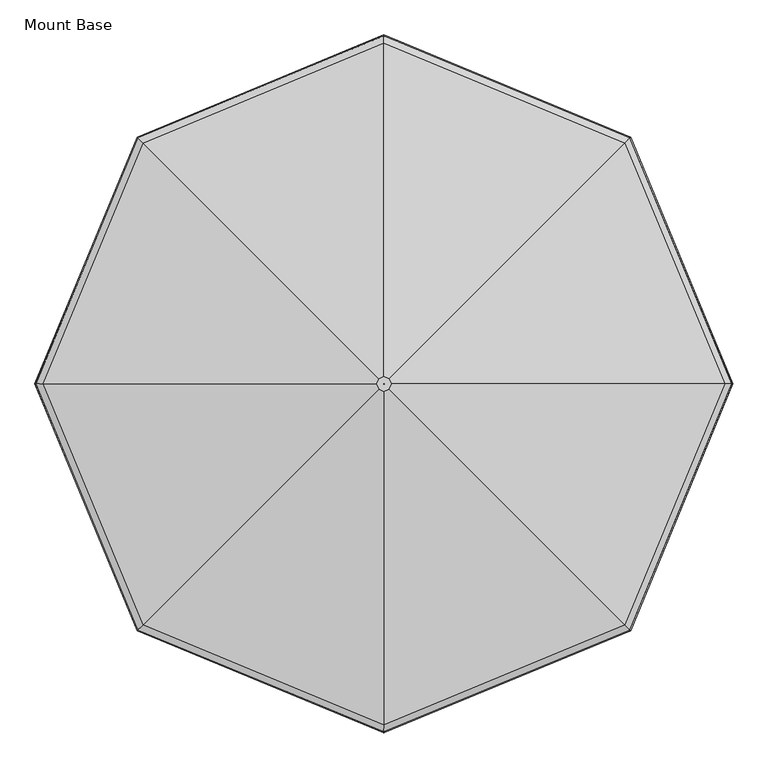
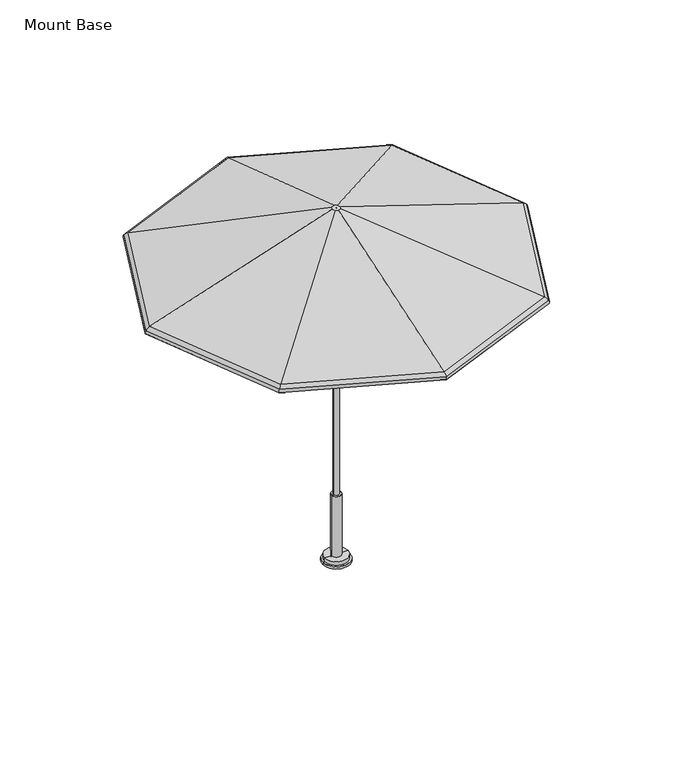
"""IFC4 building model written with IfcOpenShell, lengths in millimetres: furniture geometry, Mount Base."""

from ifc_helpers import new_model, si_unit, frame, origin, place, context, project, spatial, polyline, circle_curve, ellipse_curve, source, transform, mapped, element, save
from ifc_brep_helpers import plane_surface, cylinder_surface, revolved_surface, advanced_brep


def mount_base_c038d5d3(model_context):
    return source(origin(), model_context, "Body", "AdvancedBrep", [
        advanced_brep(
        [(19.5795967, -23.609512, 2449.3082423), (867.9781902, -872.00808, 2054.63825), (1227.5064869, -4.0299408, 2054.63825), (27.6897202, -4.0299408, 2449.3082423), (0.2837179, -4.3136338, 2444.7441798), (0.2837179, -4.3136338, 2449.3082423), (0.4012274, -4.0299408, 2449.3082423), (0.4012274, -4.0299408, 2444.7441798), (866.8065131, -870.8364029, 2050.3385867), (18.976283, -23.0061982, 2444.7441798), (26.8365057, -4.0299408, 2444.7441798), (1225.8494853, -4.0299408, 2050.3385867), (867.9781902, 863.9481984, 2054.63825), (19.5795967, 15.5496304, 2449.3082423), (0.2837179, -3.7462478, 2449.3082423), (0.2837179, -3.7462478, 2444.7441798), (18.976283, 14.9463167, 2444.7441798), (866.8065131, 862.7765214, 2050.3385867), (0.0, 1223.4765468, 2054.63825), (0.0, 23.6597651, 2449.3082423), (0.0, -3.6287279, 2449.3082423), (0.0, -3.6287279, 2444.7441798), (0.0, 22.8065507, 2444.7441798), (0.0, 1221.8195452, 2050.3385867), (-867.9781902, 863.9481984, 2054.63825), (-19.5795967, 15.5496304, 2449.3082423), (-0.2837179, -3.7462478, 2449.3082423), (-0.2837179, -3.7462478, 2444.7441798), (-18.976283, 14.9463167, 2444.7441798), (-866.8065131, 862.7765214, 2050.3385867), (-1227.5064869, -4.0299408, 2054.63825), (-27.6897202, -4.0299408, 2449.3082423), (-0.4012274, -4.0299408, 2449.3082423), (-0.4012274, -4.0299408, 2444.7441798), (-26.8365057, -4.0299408, 2444.7441798), (-1225.8494853, -4.0299408, 2050.3385867), (-867.9781902, -872.00808, 2054.63825), (-19.5795967, -23.609512, 2449.3082423), (-0.2837179, -4.3136338, 2449.3082423), (-0.2837179, -4.3136338, 2444.7441798), (-18.976283, -23.0061982, 2444.7441798), (-866.8065131, -870.8364029, 2050.3385867), (0.0, -1231.5364283, 2054.63825), (0.0, -31.7196467, 2449.3082423), (0.0, -4.4311536, 2449.3082423), (0.0, -4.4311536, 2444.7441798), (0.0, -30.8664322, 2444.7441798), (0.0, -1229.8794267, 2050.3385867), (888.6808391, -892.7107282, 2015.4829783), (885.3255026, -889.3553919, 2016.7551217), (1252.0392907, -4.0299408, 2016.7551217), (1256.784453, -4.0299408, 2015.4829783), (886.7474447, -890.7773339, 2034.8989025), (1254.0502205, -4.0299408, 2034.8989025), (885.3255026, 881.2955103, 2016.7551217), (888.6808391, 884.6508467, 2015.4829783), (886.7474447, 882.7174524, 2034.8989025), (0.0, 1248.0093509, 2016.7551217), (0.0, 1252.7545132, 2015.4829783), (0.0, 1250.0202807, 2034.8989025), (-885.3255026, 881.2955103, 2016.7551217), (-888.6808391, 884.6508467, 2015.4829783), (-886.7474447, 882.7174524, 2034.8989025), (-1252.0392907, -4.0299408, 2016.7551217), (-1256.784453, -4.0299408, 2015.4829783), (-1254.0502205, -4.0299408, 2034.8989025), (-885.3255026, -889.3553919, 2016.7551217), (-888.6808391, -892.7107282, 2015.4829783), (-886.7474447, -890.7773339, 2034.8989025), (0.0, -1256.0692325, 2016.7551217), (0.0, -1260.8143948, 2015.4829783), (0.0, -1258.0801623, 2034.8989025), (883.7829619, -887.8128512, 2032.4847066), (1249.8578088, -4.0299408, 2032.4847066), (883.7829619, 879.7529696, 2032.4847066), (0.0, 1245.827869, 2032.4847066), (-883.7829619, 879.7529696, 2032.4847066), (-1249.8578088, -4.0299408, 2032.4847066), (-883.7829619, -887.8128512, 2032.4847066), (0.0, -1253.8877505, 2032.4847066)],
        [
            (0, 1),
            (1, 2),
            (2, 3),
            (3, 0),
            (4, 5),
            (5, 6),
            (6, 7),
            (7, 4),
            (8, 9),
            (9, 10),
            (10, 11),
            (11, 8),
            (2, 12),
            (12, 13),
            (13, 3),
            (6, 14),
            (14, 15),
            (15, 7),
            (10, 16),
            (16, 17),
            (17, 11),
            (12, 18),
            (18, 19),
            (19, 13),
            (14, 20),
            (20, 21),
            (21, 15),
            (16, 22),
            (22, 23),
            (23, 17),
            (18, 24),
            (24, 25),
            (25, 19),
            (20, 26),
            (26, 27),
            (27, 21),
            (22, 28),
            (28, 29),
            (29, 23),
            (24, 30),
            (30, 31),
            (31, 25),
            (26, 32),
            (32, 33),
            (33, 27),
            (28, 34),
            (34, 35),
            (35, 29),
            (30, 36),
            (36, 37),
            (37, 31),
            (32, 38),
            (38, 39),
            (39, 33),
            (34, 40),
            (40, 41),
            (41, 35),
            (36, 42),
            (42, 43),
            (43, 37),
            (38, 44),
            (44, 45),
            (45, 39),
            (40, 46),
            (46, 47),
            (47, 41),
            (42, 1),
            (0, 43),
            (5, 44),
            (4, 45),
            (9, 46),
            (8, 47),
            (48, 49, ellipse_curve(frame((887.0110539, -891.0409431, 2016.1545442), z_axis=(0.7071067705718669, 0.7071067918012279, 0.0), x_axis=(0.7071067918012278, -0.707106770571867, 0.0)), 2.4707782, 2.2827014)),
            (49, 50),
            (50, 51, ellipse_curve(frame((1254.4230202, -4.0299408, 2016.1545442), z_axis=(0.0, -1.0, 0.0), x_axis=(-1.0, 0.0, 0.0)), 2.4707782, 2.2827014)),
            (51, 48),
            (52, 48, ellipse_curve(frame((871.4269242, -875.4568139, 2022.4222784), z_axis=(0.7071067705718669, 0.7071067918012279, 0.0), x_axis=(0.7071067918012278, -0.707106770571867, 0.0)), 25.5305879, 23.5871876)),
            (51, 53, ellipse_curve(frame((1232.3837333, -4.0299408, 2022.4222784), z_axis=(0.0, -1.0, 0.0), x_axis=(-1.0, 0.0, 0.0)), 25.5305877, 23.5871876)),
            (53, 52),
            (1, 52, ellipse_curve(frame((855.7116602, -859.7415504, 2009.6241856), z_axis=(0.7071067705718669, 0.7071067918012279, 0.0), x_axis=(0.7071067918012278, -0.707106770571867, 0.0)), 51.7189887, 47.782115)),
            (53, 2, ellipse_curve(frame((1210.1589943, -4.0299408, 2009.6241856), z_axis=(0.0, -1.0, 0.0), x_axis=(-1.0, 0.0, 0.0)), 51.7189881, 47.782115)),
            (50, 54),
            (54, 55, ellipse_curve(frame((887.0110539, 882.9810616, 2016.1545442), z_axis=(0.7071067705718669, -0.7071067918012278, 0.0), x_axis=(-0.7071067918012273, -0.7071067705718674, 0.0)), 2.4707782, 2.2827014)),
            (55, 51),
            (55, 56, ellipse_curve(frame((871.4269242, 867.3969324, 2022.4222784), z_axis=(0.7071067705718669, -0.7071067918012278, 0.0), x_axis=(-0.7071067918012273, -0.7071067705718674, 0.0)), 25.5305879, 23.5871876)),
            (56, 53),
            (56, 12, ellipse_curve(frame((855.7116602, 851.6816688, 2009.6241856), z_axis=(0.7071067705718669, -0.7071067918012278, 0.0), x_axis=(-0.7071067918012273, -0.7071067705718674, 0.0)), 51.7189887, 47.782115)),
            (54, 57),
            (57, 58, ellipse_curve(frame((0.0, 1250.3930804, 2016.1545442), z_axis=(1.0, 0.0, 0.0), x_axis=(0.0, -1.0, 0.0)), 2.4707782, 2.2827014)),
            (58, 55),
            (58, 59, ellipse_curve(frame((0.0, 1228.3537932, 2022.4222784), z_axis=(1.0, 0.0, 0.0), x_axis=(0.0, -1.0, 0.0)), 25.530588, 23.5871876)),
            (59, 56),
            (59, 18, ellipse_curve(frame((0.0, 1206.129054, 2009.6241856), z_axis=(1.0, 0.0, 0.0), x_axis=(0.0, -1.0, 0.0)), 51.7189888, 47.782115)),
            (57, 60),
            (60, 61, ellipse_curve(frame((-887.0110539, 882.9810616, 2016.1545442), z_axis=(0.7071067705718668, 0.7071067918012279, 0.0), x_axis=(0.7071067918012285, -0.7071067705718664, 0.0)), 2.4707782, 2.2827014)),
            (61, 58),
            (61, 62, ellipse_curve(frame((-871.4269242, 867.3969324, 2022.4222784), z_axis=(0.7071067705718668, 0.7071067918012279, 0.0), x_axis=(0.7071067918012285, -0.7071067705718664, 0.0)), 25.5305879, 23.5871876)),
            (62, 59),
            (62, 24, ellipse_curve(frame((-855.7116602, 851.6816688, 2009.6241856), z_axis=(0.7071067705718668, 0.7071067918012279, 0.0), x_axis=(0.7071067918012285, -0.7071067705718664, 0.0)), 51.7189887, 47.782115)),
            (60, 63),
            (63, 64, ellipse_curve(frame((-1254.4230202, -4.0299408, 2016.1545442), z_axis=(0.0, 1.0, 0.0), x_axis=(1.0, 0.0, 0.0)), 2.4707782, 2.2827014)),
            (64, 61),
            (64, 65, ellipse_curve(frame((-1232.3837333, -4.0299408, 2022.4222784), z_axis=(0.0, 1.0, 0.0), x_axis=(1.0, 0.0, 0.0)), 25.5305877, 23.5871876)),
            (65, 62),
            (65, 30, ellipse_curve(frame((-1210.1589943, -4.0299408, 2009.6241856), z_axis=(0.0, 1.0, 0.0), x_axis=(1.0, 0.0, 0.0)), 51.7189881, 47.782115)),
            (63, 66),
            (66, 67, ellipse_curve(frame((-887.0110539, -891.0409431, 2016.1545442), z_axis=(-0.707106770571867, 0.7071067918012278, 0.0), x_axis=(0.7071067918012279, 0.7071067705718671, 0.0)), 2.4707782, 2.2827014)),
            (67, 64),
            (67, 68, ellipse_curve(frame((-871.4269242, -875.4568139, 2022.4222784), z_axis=(-0.707106770571867, 0.7071067918012278, 0.0), x_axis=(0.7071067918012279, 0.7071067705718671, 0.0)), 25.5305879, 23.5871876)),
            (68, 65),
            (68, 36, ellipse_curve(frame((-855.7116602, -859.7415504, 2009.6241856), z_axis=(-0.707106770571867, 0.7071067918012278, 0.0), x_axis=(0.7071067918012279, 0.7071067705718671, 0.0)), 51.7189887, 47.782115)),
            (66, 69),
            (69, 70, ellipse_curve(frame((0.0, -1258.452962, 2016.1545442), z_axis=(-1.0, 0.0, 0.0), x_axis=(0.0, 1.0, 0.0)), 2.4707782, 2.2827014)),
            (70, 67),
            (70, 71, ellipse_curve(frame((0.0, -1236.4136748, 2022.4222784), z_axis=(-1.0, 0.0, 0.0), x_axis=(0.0, 1.0, 0.0)), 25.530588, 23.5871876)),
            (71, 68),
            (71, 42, ellipse_curve(frame((0.0, -1214.1889356, 2009.6241856), z_axis=(-1.0, 0.0, 0.0), x_axis=(0.0, 1.0, 0.0)), 51.7189888, 47.782115)),
            (69, 49),
            (48, 70),
            (52, 71),
            (72, 8, ellipse_curve(frame((855.7116602, -859.7415504, 2009.6241856), z_axis=(-0.7071067705718669, -0.7071067918012279, 0.0), x_axis=(-0.7071067918012278, 0.707106770571867, 0.0)), 46.778883, 43.2180525)),
            (11, 73, ellipse_curve(frame((1210.1589943, -4.0299408, 2009.6241856), z_axis=(0.0, 1.0, 0.0), x_axis=(1.0, 0.0, 0.0)), 46.7788825, 43.2180525)),
            (73, 72),
            (49, 72, ellipse_curve(frame((871.4269242, -875.4568139, 2022.4222784), z_axis=(-0.7071067705718669, -0.7071067918012279, 0.0), x_axis=(-0.7071067918012278, 0.707106770571867, 0.0)), 20.5904823, 19.0231251)),
            (73, 50, ellipse_curve(frame((1232.3837333, -4.0299408, 2022.4222784), z_axis=(0.0, 1.0, 0.0), x_axis=(1.0, 0.0, 0.0)), 20.5904821, 19.0231251)),
            (17, 74, ellipse_curve(frame((855.7116602, 851.6816688, 2009.6241856), z_axis=(-0.7071067705718669, 0.7071067918012278, 0.0), x_axis=(0.7071067918012273, 0.7071067705718674, 0.0)), 46.778883, 43.2180525)),
            (74, 73),
            (74, 54, ellipse_curve(frame((871.4269242, 867.3969324, 2022.4222784), z_axis=(-0.7071067705718669, 0.7071067918012278, 0.0), x_axis=(0.7071067918012273, 0.7071067705718674, 0.0)), 20.5904823, 19.0231251)),
            (23, 75, ellipse_curve(frame((0.0, 1206.129054, 2009.6241856), z_axis=(-1.0, 0.0, 0.0), x_axis=(0.0, 1.0, 0.0)), 46.7788831, 43.2180525)),
            (75, 74),
            (75, 57, ellipse_curve(frame((0.0, 1228.3537932, 2022.4222784), z_axis=(-1.0, 0.0, 0.0), x_axis=(0.0, 1.0, 0.0)), 20.5904823, 19.0231251)),
            (29, 76, ellipse_curve(frame((-855.7116602, 851.6816688, 2009.6241856), z_axis=(-0.7071067705718668, -0.7071067918012279, 0.0), x_axis=(-0.7071067918012285, 0.7071067705718664, 0.0)), 46.778883, 43.2180525)),
            (76, 75),
            (76, 60, ellipse_curve(frame((-871.4269242, 867.3969324, 2022.4222784), z_axis=(-0.7071067705718668, -0.7071067918012279, 0.0), x_axis=(-0.7071067918012285, 0.7071067705718664, 0.0)), 20.5904823, 19.0231251)),
            (35, 77, ellipse_curve(frame((-1210.1589943, -4.0299408, 2009.6241856), z_axis=(0.0, -1.0, 0.0), x_axis=(-1.0, 0.0, 0.0)), 46.7788825, 43.2180525)),
            (77, 76),
            (77, 63, ellipse_curve(frame((-1232.3837333, -4.0299408, 2022.4222784), z_axis=(0.0, -1.0, 0.0), x_axis=(-1.0, 0.0, 0.0)), 20.5904821, 19.0231251)),
            (41, 78, ellipse_curve(frame((-855.7116602, -859.7415504, 2009.6241856), z_axis=(0.707106770571867, -0.7071067918012278, 0.0), x_axis=(-0.7071067918012279, -0.7071067705718671, 0.0)), 46.778883, 43.2180525)),
            (78, 77),
            (78, 66, ellipse_curve(frame((-871.4269242, -875.4568139, 2022.4222784), z_axis=(0.707106770571867, -0.7071067918012278, 0.0), x_axis=(-0.7071067918012279, -0.7071067705718671, 0.0)), 20.5904823, 19.0231251)),
            (47, 79, ellipse_curve(frame((0.0, -1214.1889356, 2009.6241856), z_axis=(1.0, 0.0, 0.0), x_axis=(0.0, -1.0, 0.0)), 46.7788831, 43.2180525)),
            (79, 78),
            (79, 69, ellipse_curve(frame((0.0, -1236.4136748, 2022.4222784), z_axis=(1.0, 0.0, 0.0), x_axis=(0.0, -1.0, 0.0)), 20.5904823, 19.0231251)),
            (72, 79),
        ],
        [
            plane_surface(frame((867.9781902, -872.00808, 2054.63825), z_axis=(0.3098860594599675, -0.12835900134285777, 0.9420693164128837), x_axis=(0.3826834138500074, 0.9238795401804848, 0.0))),
            plane_surface(frame((0.2837179, -4.3136338, 2449.3082423), z_axis=(-0.9238795401805519, 0.3826834138498457, 0.0), x_axis=(0.3826834138498457, 0.9238795401805519, 0.0))),
            plane_surface(frame((18.976283, -23.0061982, 2444.7441798), z_axis=(-0.30988605945996583, 0.12835900134286157, -0.9420693164128836), x_axis=(0.3826834138500158, 0.9238795401804812, 0.0))),
            plane_surface(frame((1227.5064869, -4.0299408, 2054.63825), z_axis=(0.3098860594599674, 0.1283590013428578, 0.9420693164128837), x_axis=(-0.38268341385000754, 0.9238795401804847, 0.0))),
            plane_surface(frame((0.4012274, -4.0299408, 2449.3082423), z_axis=(-0.9238795401804236, -0.38268341385015503, 0.0), x_axis=(-0.38268341385015503, 0.9238795401804236, 0.0))),
            plane_surface(frame((26.8365057, -4.0299408, 2444.7441798), z_axis=(-0.3098860594599669, -0.12835900134285932, -0.9420693164128837), x_axis=(-0.38268341385000904, 0.9238795401804841, 0.0))),
            plane_surface(frame((867.9781902, 863.9481984, 2054.63825), z_axis=(0.12835901064652352, 0.30988605560626115, 0.9420693164128842), x_axis=(-0.9238795286912376, 0.3826834415875042, 0.0))),
            plane_surface(frame((0.2837179, -3.7462478, 2449.3082423), z_axis=(-0.3826834415882052, -0.9238795286909472, 0.0), x_axis=(-0.9238795286909472, 0.3826834415882052, 0.0))),
            plane_surface(frame((18.976283, 14.9463167, 2444.7441798), z_axis=(-0.12835901064652197, -0.309886055606262, -0.9420693164128842), x_axis=(-0.9238795286912361, 0.38268344158750756, 0.0))),
            plane_surface(frame((0.0, 1223.4765468, 2054.63825), z_axis=(-0.12835901064652352, 0.3098860556062612, 0.9420693164128842), x_axis=(-0.9238795286912376, -0.3826834415875041, 0.0))),
            plane_surface(frame((0.0, -3.6287279, 2449.3082423), z_axis=(0.3826834415881674, -0.9238795286909629, 0.0), x_axis=(-0.9238795286909629, -0.3826834415881674, 1.7630868610491193e-12))),
            plane_surface(frame((0.0, 22.8065507, 2444.7441798), z_axis=(0.12835901064650254, -0.3098860556062698, -0.9420693164128842), x_axis=(-0.9238795286912317, -0.38268344158751827, 0.0))),
            plane_surface(frame((-867.9781902, 863.9481984, 2054.63825), z_axis=(-0.3098860594599674, 0.1283590013428577, 0.9420693164128838), x_axis=(-0.3826834138500073, -0.9238795401804849, 0.0))),
            plane_surface(frame((-0.2837179, -3.7462478, 2449.3082423), z_axis=(0.9238795401804988, -0.3826834138499735, 0.0), x_axis=(-0.3826834138499735, -0.9238795401804988, 0.0))),
            plane_surface(frame((-18.976283, 14.9463167, 2444.7441798), z_axis=(0.309886059459966, -0.12835900134286143, -0.9420693164128837), x_axis=(-0.38268341385001536, -0.9238795401804816, 0.0))),
            plane_surface(frame((-1227.5064869, -4.0299408, 2054.63825), z_axis=(-0.30988605945996744, -0.12835900134285777, 0.9420693164128836), x_axis=(0.3826834138500075, -0.9238795401804848, 0.0))),
            plane_surface(frame((-0.4012274, -4.0299408, 2449.3082423), z_axis=(0.9238795401804434, 0.3826834138501074, 0.0), x_axis=(0.3826834138501074, -0.9238795401804434, 0.0))),
            plane_surface(frame((-26.8365057, -4.0299408, 2444.7441798), z_axis=(0.30988605945996417, 0.1283590013428655, -0.9420693164128837), x_axis=(0.3826834138500276, -0.9238795401804764, 0.0))),
            plane_surface(frame((-867.9781902, -872.00808, 2054.63825), z_axis=(-0.12835901064652355, -0.30988605560626115, 0.9420693164128843), x_axis=(0.9238795286912376, -0.3826834415875043, 0.0))),
            plane_surface(frame((-0.2837179, -4.3136338, 2449.3082423), z_axis=(0.38268344158750667, 0.9238795286912367, 0.0), x_axis=(0.9238795286912367, -0.38268344158750667, -1.7630868610541979e-12))),
            plane_surface(frame((-18.976283, -23.0061982, 2444.7441798), z_axis=(0.12835901064652216, 0.30988605560626176, -0.9420693164128844), x_axis=(0.9238795286912359, -0.38268344158750833, 0.0))),
            plane_surface(frame((0.0, -1231.5364283, 2054.63825), z_axis=(0.12835901064652355, -0.30988605560626103, 0.9420693164128844), x_axis=(0.9238795286912376, 0.3826834415875044, 0.0))),
            plane_surface(frame((0.0, -31.7196467, 2449.3082423), z_axis=(0.0, 0.0, 1.0000000000000002), x_axis=(0.9238795286912374, 0.38268344158750495, 0.0))),
            plane_surface(frame((0.0, -4.4311536, 2449.3082423), z_axis=(-0.3826834415880379, 0.9238795286910165, 0.0), x_axis=(0.9238795286910165, 0.3826834415880379, 1.7630868610505533e-12))),
            plane_surface(frame((0.0, -4.4311536, 2444.7441798), z_axis=(0.0, 0.0, -1.0), x_axis=(0.9238795286912637, 0.38268344158744133, 0.0))),
            plane_surface(frame((0.0, -30.8664322, 2444.7441798), z_axis=(-0.1283590106464981, 0.3098860556062716, -0.9420693164128844), x_axis=(0.9238795286912372, 0.38268344158750517, 0.0))),
            cylinder_surface(frame((885.6093569, -894.4249392, 2016.1545442), z_axis=(-0.3826834138500074, -0.9238795401804848, 0.0), x_axis=(-0.9238795401804848, 0.3826834138500074, 0.0)), 2.2827014),
            cylinder_surface(frame((866.7976485, -886.6328749, 2022.4222784), z_axis=(-0.3826834138500074, -0.9238795401804848, 0.0), x_axis=(-0.9238795401804848, 0.3826834138500074, 0.0)), 23.5871876),
            cylinder_surface(frame((847.8276469, -878.7752434, 2009.6241856), z_axis=(-0.3826834138500074, -0.9238795401804848, 0.0), x_axis=(-0.9238795401804848, 0.3826834138500074, 0.0)), 47.782115),
            cylinder_surface(frame((1255.8247171, -7.4139366, 2016.1545442), z_axis=(0.38268341385000737, -0.9238795401804849, 0.0), x_axis=(-0.9238795401804849, -0.38268341385000737, 0.0)), 2.2827014),
            cylinder_surface(frame((1237.0130087, -15.2060009, 2022.4222784), z_axis=(0.38268341385000737, -0.9238795401804849, 0.0), x_axis=(-0.9238795401804849, -0.38268341385000737, 0.0)), 23.5871876),
            cylinder_surface(frame((1218.0430071, -23.0636324, 2009.6241856), z_axis=(0.38268341385000737, -0.9238795401804849, 0.0), x_axis=(-0.9238795401804849, -0.38268341385000737, 0.0)), 47.782115),
            cylinder_surface(frame((890.3950499, 881.5793645, 2016.1545442), z_axis=(0.9238795286912376, -0.38268344158750417, 0.0), x_axis=(-0.38268344158750417, -0.9238795286912376, 0.0)), 2.2827014),
            cylinder_surface(frame((882.6029851, 862.7676563, 2022.4222784), z_axis=(0.9238795286912376, -0.38268344158750417, 0.0), x_axis=(-0.38268344158750417, -0.9238795286912376, 0.0)), 23.5871876),
            cylinder_surface(frame((874.745353, 843.7976549, 2009.6241856), z_axis=(0.9238795286912376, -0.38268344158750417, 0.0), x_axis=(-0.38268344158750417, -0.9238795286912376, 0.0)), 47.782115),
            cylinder_surface(frame((3.3839961, 1251.7947775, 2016.1545442), z_axis=(0.9238795286912376, 0.3826834415875045, 0.0), x_axis=(0.3826834415875045, -0.9238795286912376, 0.0)), 2.2827014),
            cylinder_surface(frame((11.176061, 1232.9830694, 2022.4222784), z_axis=(0.9238795286912376, 0.3826834415875045, 0.0), x_axis=(0.3826834415875045, -0.9238795286912376, 0.0)), 23.5871876),
            cylinder_surface(frame((19.033693, 1214.013068, 2009.6241856), z_axis=(0.9238795286912376, 0.3826834415875045, 0.0), x_axis=(0.3826834415875045, -0.9238795286912376, 0.0)), 47.782115),
            cylinder_surface(frame((-885.6093569, 886.3650576, 2016.1545442), z_axis=(0.3826834138500073, 0.9238795401804848, 0.0), x_axis=(0.9238795401804848, -0.3826834138500073, 0.0)), 2.2827014),
            cylinder_surface(frame((-866.7976485, 878.5729933, 2022.4222784), z_axis=(0.3826834138500073, 0.9238795401804848, 0.0), x_axis=(0.9238795401804848, -0.3826834138500073, 0.0)), 23.5871876),
            cylinder_surface(frame((-847.8276469, 870.7153618, 2009.6241856), z_axis=(0.3826834138500073, 0.9238795401804848, 0.0), x_axis=(0.9238795401804848, -0.3826834138500073, 0.0)), 47.782115),
            cylinder_surface(frame((-1255.8247171, -0.6459449, 2016.1545442), z_axis=(-0.3826834138500074, 0.9238795401804848, 0.0), x_axis=(0.9238795401804848, 0.3826834138500074, 0.0)), 2.2827014),
            cylinder_surface(frame((-1237.0130087, 7.1461194, 2022.4222784), z_axis=(-0.3826834138500074, 0.9238795401804848, 0.0), x_axis=(0.9238795401804848, 0.3826834138500074, 0.0)), 23.5871876),
            cylinder_surface(frame((-1218.0430071, 15.0037509, 2009.6241856), z_axis=(-0.3826834138500074, 0.9238795401804848, 0.0), x_axis=(0.9238795401804848, 0.3826834138500074, 0.0)), 47.782115),
            cylinder_surface(frame((-890.3950499, -889.639246, 2016.1545442), z_axis=(-0.9238795286912376, 0.3826834415875041, 0.0), x_axis=(0.3826834415875041, 0.9238795286912376, 0.0)), 2.2827014),
            cylinder_surface(frame((-882.6029851, -870.8275378, 2022.4222784), z_axis=(-0.9238795286912376, 0.3826834415875041, 0.0), x_axis=(0.3826834415875041, 0.9238795286912376, 0.0)), 23.5871876),
            cylinder_surface(frame((-874.745353, -851.8575365, 2009.6241856), z_axis=(-0.9238795286912376, 0.3826834415875041, 0.0), x_axis=(0.3826834415875041, 0.9238795286912376, 0.0)), 47.782115),
            cylinder_surface(frame((-3.3839961, -1259.8546591, 2016.1545442), z_axis=(-0.9238795286912376, -0.3826834415875045, 0.0), x_axis=(-0.3826834415875045, 0.9238795286912376, 0.0)), 2.2827014),
            cylinder_surface(frame((-11.176061, -1241.0429509, 2022.4222784), z_axis=(-0.9238795286912376, -0.3826834415875045, 0.0), x_axis=(-0.3826834415875045, 0.9238795286912376, 0.0)), 23.5871876),
            cylinder_surface(frame((-19.033693, -1222.0729496, 2009.6241856), z_axis=(-0.9238795286912376, -0.3826834415875045, 0.0), x_axis=(-0.3826834415875045, 0.9238795286912376, 0.0)), 47.782115),
            revolved_surface(polyline([(1177.0813279177353, 29.04772291639233, 2009.6241856), (808.9327772004092, -859.7415515729037, 2009.6241856)]), (847.8276469, -878.7752434, 2009.6241856), (0.3826834138500074, 0.9238795401804848, 0.0)),
            revolved_surface(polyline([(1217.8240632036184, 10.529728133929439, 2022.4222784), (850.8364419865392, -875.4568144520437, 2022.4222784)]), (866.7976485, -886.6328749, 2022.4222784), (0.3826834138500074, 0.9238795401804848, 0.0)),
            revolved_surface(polyline([(808.9327772202232, 851.6816699811113, 2009.6241856), (1177.0813279375493, -37.10760450818483, 2009.6241856)]), (1218.0430071, -23.0636324, 2009.6241856), (-0.38268341385000737, 0.9238795401804849, 0.0)),
            revolved_surface(polyline([(850.8364419709978, 867.3969329456064, 2022.4222784), (1217.8240632234324, -18.589609725721992, 2022.4222784)]), (1237.0130087, -15.2060009, 2022.4222784), (-0.38268341385000737, 0.9238795401804849, 0.0)),
            revolved_surface(polyline([(-33.07766613995125, 1173.05138914796, 2009.6241856), (855.7116599637476, 804.9027857890122, 2009.6241856)]), (874.745353, 843.7976549, 2009.6241856), (-0.9238795286912376, 0.38268344158750417, 0.0)),
            revolved_surface(polyline([(-14.55966994483424, 1213.794123847939, 2022.4222784), (871.4269241167767, 846.8064501452996, 2022.4222784)]), (882.6029851, 862.7676563, 2022.4222784), (-0.9238795286912376, 0.38268344158750417, 0.0)),
            revolved_surface(polyline([(-855.7116599740738, 804.9027858139414, 2009.6241856), (33.07766612962508, 1173.0513891728895, 2009.6241856)]), (19.033693, 1214.013068, 2009.6241856), (-0.9238795286912376, -0.3826834415875045, 0.0)),
            revolved_surface(polyline([(-871.4269241124583, 846.8064501348736, 2022.4222784), (14.559669949152642, 1213.7941238375133, 2022.4222784)]), (11.176061, 1232.9830694, 2022.4222784), (-0.9238795286912376, -0.3826834415875045, 0.0)),
            revolved_surface(polyline([(-1177.081327917735, -37.10760451639214, 2009.6241856), (-808.9327772004092, 851.6816699729037, 2009.6241856)]), (-847.8276469, 870.7153618, 2009.6241856), (-0.3826834138500073, -0.9238795401804848, 0.0)),
            revolved_surface(polyline([(-1217.8240632036182, -18.58960973392925, 2022.4222784), (-850.8364419511838, 867.3969329373989, 2022.4222784)]), (-866.7976485, 878.5729933, 2022.4222784), (-0.3826834138500073, -0.9238795401804848, 0.0)),
            revolved_surface(polyline([(-808.932777184868, -859.7415515664663, 2009.6241856), (-1177.0813279021938, 29.047722922829497, 2009.6241856)]), (-1218.0430071, 15.0037509, 2009.6241856), (0.3826834138500074, -0.9238795401804848, 0.0)),
            revolved_surface(polyline([(-850.8364419709978, -875.4568144456061, 2022.4222784), (-1217.8240631880772, 10.529728140366657, 2022.4222784)]), (-1237.0130087, 7.1461194, 2022.4222784), (0.3826834138500074, -0.9238795401804848, 0.0)),
            revolved_surface(polyline([(33.07766613995125, -1181.11127074796, 2009.6241856), (-855.7116599637476, -812.9626673890123, 2009.6241856)]), (-874.745353, -851.8575365, 2009.6241856), (0.9238795286912376, -0.3826834415875041, 0.0)),
            revolved_surface(polyline([(14.559669980189597, -1221.8540053625836, 2022.4222784), (-871.4269241167767, -854.8663316452995, 2022.4222784)]), (-882.6029851, -870.8275378, 2022.4222784), (0.9238795286912376, -0.3826834415875041, 0.0)),
            revolved_surface(polyline([(855.7116599740737, -812.9626674139414, 2009.6241856), (-33.07766612962508, -1181.1112707728894, 2009.6241856)]), (-19.033693, -1222.0729496, 2009.6241856), (0.9238795286912376, 0.3826834415875045, 0.0)),
            revolved_surface(polyline([(871.4269241124583, -854.8663316348736, 2022.4222784), (-14.559669984508012, -1221.854005352158, 2022.4222784)]), (-11.176061, -1241.0429509, 2022.4222784), (0.9238795286912376, 0.3826834415875045, 0.0)),
        ],
        [
            (0, [[1, 2, 3, 4]]),
            (1, [[5, 6, 7, 8]]),
            (2, [[9, 10, 11, 12]]),
            (3, [[-3, 13, 14, 15]]),
            (4, [[-7, 16, 17, 18]]),
            (5, [[-11, 19, 20, 21]]),
            (6, [[-14, 22, 23, 24]]),
            (7, [[-17, 25, 26, 27]]),
            (8, [[-20, 28, 29, 30]]),
            (9, [[-23, 31, 32, 33]]),
            (10, [[-26, 34, 35, 36]]),
            (11, [[-29, 37, 38, 39]]),
            (12, [[-32, 40, 41, 42]]),
            (13, [[-35, 43, 44, 45]]),
            (14, [[-38, 46, 47, 48]]),
            (15, [[-41, 49, 50, 51]]),
            (16, [[-44, 52, 53, 54]]),
            (17, [[-47, 55, 56, 57]]),
            (18, [[-50, 58, 59, 60]]),
            (19, [[-53, 61, 62, 63]]),
            (20, [[-56, 64, 65, 66]]),
            (21, [[-59, 67, -1, 68]]),
            (22, [[-51, -60, -68, -4, -15, -24, -33, -42], [69, -61, -52, -43, -34, -25, -16, -6]]),
            (23, [[-62, -69, -5, 70]]),
            (24, [[71, -64, -55, -46, -37, -28, -19, -10], [-54, -63, -70, -8, -18, -27, -36, -45]]),
            (25, [[-65, -71, -9, 72]]),
            (26, [[73, 74, 75, 76]]),
            (27, [[77, -76, 78, 79]]),
            (28, [[80, -79, 81, -2]]),
            (29, [[-75, 82, 83, 84]]),
            (30, [[-78, -84, 85, 86]]),
            (31, [[-81, -86, 87, -13]]),
            (32, [[-83, 88, 89, 90]]),
            (33, [[-85, -90, 91, 92]]),
            (34, [[-87, -92, 93, -22]]),
            (35, [[-89, 94, 95, 96]]),
            (36, [[-91, -96, 97, 98]]),
            (37, [[-93, -98, 99, -31]]),
            (38, [[-95, 100, 101, 102]]),
            (39, [[-97, -102, 103, 104]]),
            (40, [[-99, -104, 105, -40]]),
            (41, [[-101, 106, 107, 108]]),
            (42, [[-103, -108, 109, 110]]),
            (43, [[-105, -110, 111, -49]]),
            (44, [[-107, 112, 113, 114]]),
            (45, [[-109, -114, 115, 116]]),
            (46, [[-111, -116, 117, -58]]),
            (47, [[-113, 118, -73, 119]]),
            (48, [[-115, -119, -77, 120]]),
            (49, [[-117, -120, -80, -67]]),
            (50, [[121, -12, 122, 123]]),
            (51, [[124, -123, 125, -74]]),
            (52, [[-122, -21, 126, 127]]),
            (53, [[-125, -127, 128, -82]]),
            (54, [[-126, -30, 129, 130]]),
            (55, [[-128, -130, 131, -88]]),
            (56, [[-129, -39, 132, 133]]),
            (57, [[-131, -133, 134, -94]]),
            (58, [[-132, -48, 135, 136]]),
            (59, [[-134, -136, 137, -100]]),
            (60, [[-135, -57, 138, 139]]),
            (61, [[-137, -139, 140, -106]]),
            (62, [[-138, -66, 141, 142]]),
            (63, [[-140, -142, 143, -112]]),
            (64, [[-141, -72, -121, 144]]),
            (65, [[-143, -144, -124, -118]]),
        ],
    ),
        advanced_brep(
        [(-88.9, -4.0299408, 15.8750008), (88.9, -4.0299408, 15.8750008), (88.9, -4.0299408, 0.0), (-88.9, -4.0299408, 0.0), (-76.2, -4.0299408, 15.8750008), (76.2, -4.0299408, 15.8750008), (-76.2, -4.0299408, 41.2750008), (76.2, -4.0299408, 41.2750008), (0.0, -4.0299408, 41.2750008), (0.0, -4.0299408, 0.0)],
        [
            (0, 1, circle_curve(frame((0.0, -4.0299408, 15.8750008), z_axis=(0.0, 0.0, -1.0), x_axis=(1.0, 0.0, 0.0)), 88.9)),
            (1, 2),
            (2, 3, circle_curve(frame((0.0, -4.0299408, 0.0), z_axis=(0.0, 0.0, 1.0), x_axis=(1.0, 0.0, 0.0)), 88.9)),
            (3, 0),
            (1, 0, circle_curve(frame((0.0, -4.0299408, 15.8750008), z_axis=(0.0, 0.0, -1.0), x_axis=(1.0, 0.0, 0.0)), 88.9)),
            (3, 2, circle_curve(frame((0.0, -4.0299408, 0.0), z_axis=(0.0, 0.0, 1.0), x_axis=(1.0, 0.0, 0.0)), 88.9)),
            (4, 5, circle_curve(frame((0.0, -4.0299408, 15.8750008), z_axis=(0.0, 0.0, -1.0), x_axis=(1.0, 0.0, 0.0)), 76.2)),
            (5, 1),
            (0, 4),
            (5, 4, circle_curve(frame((0.0, -4.0299408, 15.8750008), z_axis=(0.0, 0.0, -1.0), x_axis=(1.0, 0.0, 0.0)), 76.2)),
            (6, 7, circle_curve(frame((0.0, -4.0299408, 41.2750008), z_axis=(0.0, 0.0, -1.0), x_axis=(1.0, 0.0, 0.0)), 76.2)),
            (7, 5),
            (4, 6),
            (7, 6, circle_curve(frame((0.0, -4.0299408, 41.2750008), z_axis=(0.0, 0.0, -1.0), x_axis=(1.0, 0.0, 0.0)), 76.2)),
            (8, 7),
            (6, 8),
            (2, 9),
            (9, 3),
        ],
        [
            cylinder_surface(frame((0.0, -4.0299408, 161.9250008), z_axis=(0.0, 0.0, 1.0), x_axis=(1.0, 0.0, 0.0)), 88.9),
            plane_surface(frame((0.0, -4.0299408, 15.8750008), z_axis=(0.0, 0.0, 1.0), x_axis=(1.0, 0.0, 0.0))),
            cylinder_surface(frame((0.0, -4.0299408, 161.9250008), z_axis=(0.0, 0.0, 1.0), x_axis=(1.0, 0.0, 0.0)), 76.2),
            plane_surface(frame((0.0, -4.0299408, 41.2750008), z_axis=(0.0, 0.0, 1.0), x_axis=(1.0, 0.0, 0.0))),
            plane_surface(frame((0.0, -4.0299408, 0.0), z_axis=(0.0, 0.0, -1.0), x_axis=(1.0, 0.0, 0.0))),
        ],
        [
            (0, [[1, 2, 3, 4]]),
            (0, [[5, -4, 6, -2]]),
            (1, [[7, 8, -1, 9]]),
            (1, [[10, -9, -5, -8]]),
            (2, [[11, 12, -7, 13]]),
            (2, [[14, -13, -10, -12]]),
            (3, [[15, -11, 16]]),
            (3, [[-16, -14, -15]]),
            (4, [[-3, 17, 18]]),
            (4, [[-6, -18, -17]]),
        ],
    ),
        advanced_brep(
        [(-19.05, -4.0299408, 463.5500121), (19.05, -4.0299408, 463.5500121), (31.7499992, -4.0299408, 463.5500121), (-31.7499992, -4.0299408, 463.5500121), (-19.05, -4.0299408, 1873.1507813), (19.05, -4.0299408, 1873.1507813), (0.0, -4.0299408, 1873.1507813), (-31.7499992, -4.0299408, 25.4), (31.7499992, -4.0299408, 25.4), (0.0, -4.0299408, 25.4)],
        [
            (0, 1, circle_curve(frame((0.0, -4.0299408, 463.5500121), z_axis=(0.0, 0.0, -1.0), x_axis=(1.0, 0.0, 0.0)), 19.05)),
            (1, 2),
            (2, 3, circle_curve(frame((0.0, -4.0299408, 463.5500121), z_axis=(0.0, 0.0, 1.0), x_axis=(1.0, 0.0, 0.0)), 31.7499992)),
            (3, 0),
            (1, 0, circle_curve(frame((0.0, -4.0299408, 463.5500121), z_axis=(0.0, 0.0, -1.0), x_axis=(1.0, 0.0, 0.0)), 19.05)),
            (3, 2, circle_curve(frame((0.0, -4.0299408, 463.5500121), z_axis=(0.0, 0.0, 1.0), x_axis=(1.0, 0.0, 0.0)), 31.7499992)),
            (4, 5, circle_curve(frame((0.0, -4.0299408, 1873.1507813), z_axis=(0.0, 0.0, -1.0), x_axis=(1.0, 0.0, 0.0)), 19.05)),
            (5, 1),
            (0, 4),
            (5, 4, circle_curve(frame((0.0, -4.0299408, 1873.1507813), z_axis=(0.0, 0.0, -1.0), x_axis=(1.0, 0.0, 0.0)), 19.05)),
            (6, 5),
            (4, 6),
            (7, 8, circle_curve(frame((0.0, -4.0299408, 25.4), z_axis=(0.0, 0.0, -1.0), x_axis=(1.0, 0.0, 0.0)), 31.7499992)),
            (8, 9),
            (9, 7),
            (8, 7, circle_curve(frame((0.0, -4.0299408, 25.4), z_axis=(0.0, 0.0, -1.0), x_axis=(1.0, 0.0, 0.0)), 31.7499992)),
            (2, 8),
            (7, 3),
        ],
        [
            plane_surface(frame((0.0, -4.0299408, 463.5500121), z_axis=(0.0, 0.0, 1.0), x_axis=(1.0, 0.0, 0.0))),
            cylinder_surface(frame((0.0, -4.0299408, 2736.7507813), z_axis=(0.0, 0.0, 1.0), x_axis=(1.0, 0.0, 0.0)), 19.05),
            plane_surface(frame((0.0, -4.0299408, 1873.1507813), z_axis=(0.0, 0.0, 1.0), x_axis=(1.0, 0.0, 0.0))),
            plane_surface(frame((0.0, -4.0299408, 25.4), z_axis=(0.0, 0.0, -1.0), x_axis=(1.0, 0.0, 0.0))),
            cylinder_surface(frame((0.0, -4.0299408, 2736.7507813), z_axis=(0.0, 0.0, 1.0), x_axis=(1.0, 0.0, 0.0)), 31.7499992),
        ],
        [
            (0, [[1, 2, 3, 4]]),
            (0, [[5, -4, 6, -2]]),
            (1, [[7, 8, -1, 9]]),
            (1, [[10, -9, -5, -8]]),
            (2, [[11, -7, 12]]),
            (2, [[-12, -10, -11]]),
            (3, [[13, 14, 15]]),
            (3, [[16, -15, -14]]),
            (4, [[-3, 17, -13, 18]]),
            (4, [[-6, -18, -16, -17]]),
        ],
    ),
    ])


if __name__ == "__main__":
    model = new_model("IFC4")
    model_context = context("Model", 3, world=origin())
    ifc_project = project(units=[si_unit("LENGTHUNIT", "METRE", prefix="MILLI")], contexts=[model_context])
    site = spatial("IfcSite", under=ifc_project)
    building = spatial("IfcBuilding", under=site)
    placement = place(None, origin())
    mount_base_shape = mount_base_c038d5d3(model_context)
    element("IfcFurniture", 1, ObjectType="Mount Base", at=placement, inside=building, context=model_context, shape_type="MappedRepresentation", body=[
        mapped(mount_base_shape, transform((0.0, 0.0, 0.0), x_axis=(1.0, 0.0, 0.0), y_axis=(0.0, 1.0, 0.0), z_axis=(0.0, 0.0, 1.0))),
    ])
    save(model, "model.ifc")
